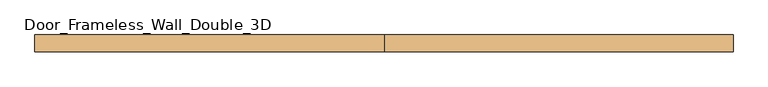
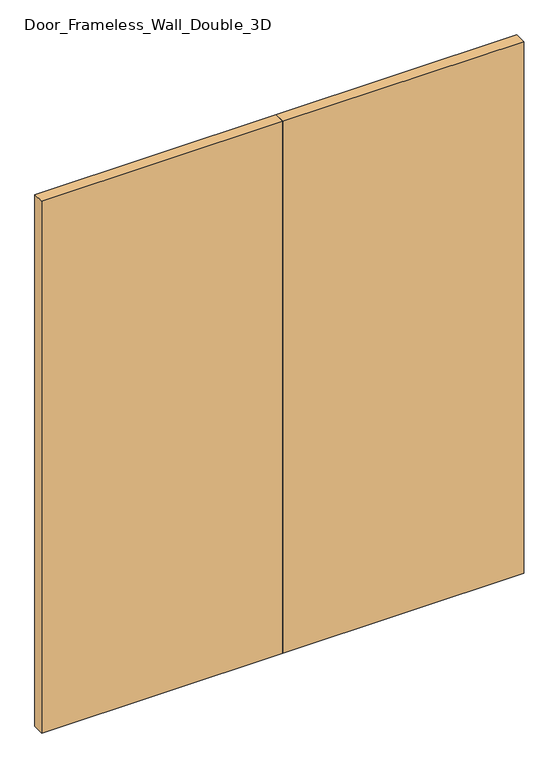
"""IFC4 building model written with IfcOpenShell, lengths in millimetres: door geometry, Door_Frameless_Wall_Double_3D."""

from ifc_helpers import new_model, si_unit, origin, origin_with_axes, place, context, project, spatial, polyline, outline, extrude, source, transform, mapped, element, save


def door_frameless_wall_double_3d_b25a3e76(model_context):
    return source(origin(), model_context, "Body", "SweptSolid", [
        extrude(outline(polyline([(-914.4, 88.9), (0.0, 88.9), (0.0, 44.45), (-914.4, 44.45), (-914.4, 88.9)])), origin_with_axes(), (0.0, 0.0, 1.0), 2133.6),
        extrude(outline(polyline([(0.0, 88.9), (914.4, 88.9), (914.4, 44.45), (0.0, 44.45), (0.0, 88.9)])), origin_with_axes(), (0.0, 0.0, 1.0), 2133.6),
    ])


if __name__ == "__main__":
    model = new_model("IFC4")
    model_context = context("Model", 3, world=origin())
    ifc_project = project(units=[si_unit("LENGTHUNIT", "METRE", prefix="MILLI")], contexts=[model_context])
    site = spatial("IfcSite", under=ifc_project)
    building = spatial("IfcBuilding", under=site)
    placement = place(None, origin())
    door_frameless_wall_double_3d_shape = door_frameless_wall_double_3d_b25a3e76(model_context)
    element("IfcDoor", 1, ObjectType="Door_Frameless_Wall_Double_3D", at=placement, inside=building, context=model_context, shape_type="MappedRepresentation", body=[
        mapped(door_frameless_wall_double_3d_shape, transform((0.0, 0.0, 0.0), x_axis=(1.0, 0.0, 0.0), y_axis=(0.0, 1.0, 0.0), z_axis=(0.0, 0.0, 1.0))),
    ])
    save(model, "model.ifc")
